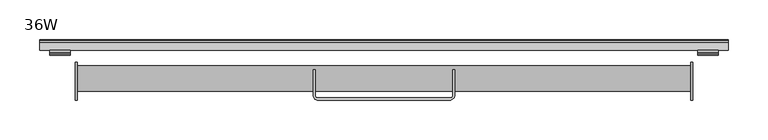
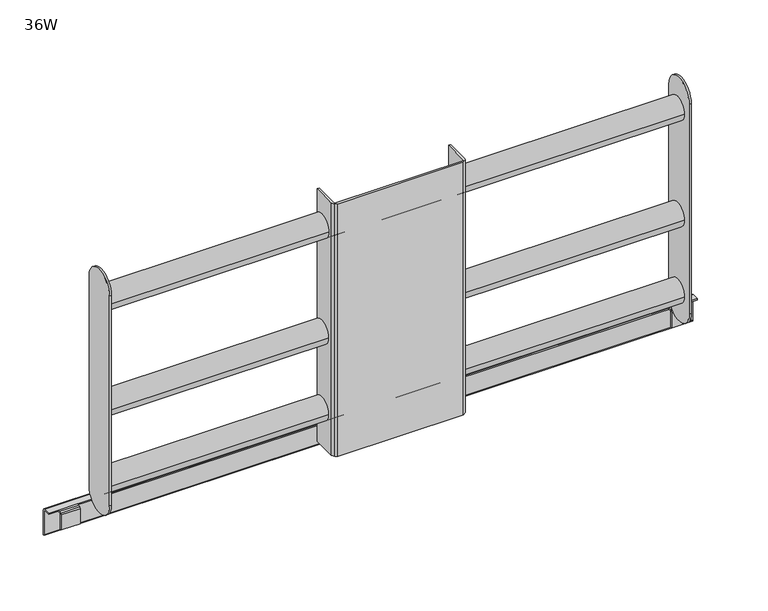
"""IFC4 building model written with IfcOpenShell, lengths in millimetres: furniture geometry, 36W."""

from ifc_helpers import new_model, si_unit, point, frame, frame_2d, origin, place, context, project, spatial, polyline, circle_curve, trimmed, segment, composite_curve, outline, extrude, source, transform, mapped, element, save


def furniture_36w_c7347b64(model_context):
    return source(origin(), model_context, "Body", "SweptSolid", [
        extrude(outline(composite_curve([segment(trimmed(circle_curve(frame_2d((26.8471934, 980.744067)), 15.9130142), [point((42.7602076, 980.744067))], [point((10.9341791, 980.744067))], False, "CARTESIAN"), True, "CONTINUOUS"), segment(trimmed(circle_curve(frame_2d((26.8471934, 980.744067)), 15.9130142), [point((10.9341791, 980.744067))], [point((42.7602076, 980.744067))], False, "CARTESIAN"), True, "CONTINUOUS")], self_intersect=False)), frame((21.7119196, 0.0, 0.0), z_axis=(1.0, 0.0, 0.0), x_axis=(0.0, 1.0, 0.0)), (0.0, 0.0, 1.0), 769.3660293),
        extrude(outline(polyline([(62.8242903, 673.0999637), (62.8242903, 671.581052), (59.5172111, 671.581052), (58.4395788, 671.134713), (57.9932125, 670.0570898), (57.9932125, 648.9699685), (56.4742918, 648.9699685), (56.4742918, 670.0570898), (57.3655437, 672.208739), (59.5172111, 673.0999637), (62.8242903, 673.0999637)])), frame((800.0936777, 0.0, 0.0), z_axis=(1.0, 0.0, 0.0), x_axis=(0.0, 1.0, 0.0)), (0.0, 0.0, 1.0), 25.3999758),
        extrude(outline(polyline([(62.8242903, 673.0999637), (62.8242903, 671.581052), (59.5172111, 671.581052), (58.4395788, 671.134713), (57.9932125, 670.0570898), (57.9932125, 648.9699685), (56.4742918, 648.9699685), (56.4742918, 670.0570898), (57.3655437, 672.208739), (59.5172111, 673.0999637), (62.8242903, 673.0999637)])), frame((-12.7062977, 0.0, 0.0), z_axis=(1.0, 0.0, 0.0), x_axis=(0.0, 1.0, 0.0)), (0.0, 0.0, 1.0), 25.3999633),
        extrude(outline(polyline([(62.8242903, 673.0999637), (72.1003729, 673.0999637), (74.521446, 672.0971906), (75.5242918, 669.6760811), (75.5242918, 636.2699806), (75.5242918, 635.0), (74.0053711, 635.0), (74.0053711, 636.2699806), (74.0053711, 669.6760811), (73.4474109, 671.0231282), (72.1003729, 671.581052), (62.8242903, 671.581052), (62.8242903, 673.0999637)])), frame((-25.4063412, 0.0, 0.0), z_axis=(1.0, 0.0, 0.0), x_axis=(0.0, 1.0, 0.0)), (0.0, 0.0, 1.0), 863.6000189),
        extrude(outline(polyline([(317.4936656, 38.0993937), (320.1606903, 38.0993937), (320.1606903, 5.2063932), (320.9046129, 3.4103427), (322.7006516, 2.6663934), (490.0866918, 2.6663934), (491.8827304, 3.4103427), (492.6266893, 5.2063932), (492.6266893, 38.0993937), (495.2936777, 38.0993937), (495.2936777, 5.2063932), (494.7768125, 2.9446794), (490.0866918, -0.0006064), (322.7006516, -0.0006064), (319.4563365, 1.1336636), (317.4936656, 5.2063932), (317.4936656, 38.0993937)])), frame((0.0, 0.0, 669.594073), z_axis=(0.0, 0.0, 1.0), x_axis=(1.0, 0.0, 0.0)), (0.0, 0.0, 1.0), 355.5999788),
        extrude(outline(composite_curve([segment(trimmed(circle_curve(frame_2d((26.8471934, 723.5690488)), 15.8750073), [point((42.7222007, 723.5690488))], [point((10.9721861, 723.5690488))], False, "CARTESIAN"), True, "CONTINUOUS"), segment(trimmed(circle_curve(frame_2d((26.8471934, 723.5690488)), 15.8750073), [point((10.9721861, 723.5690488))], [point((42.7222007, 723.5690488))], False, "CARTESIAN"), True, "CONTINUOUS")], self_intersect=False)), frame((21.7119196, 0.0, 0.0), z_axis=(1.0, 0.0, 0.0), x_axis=(0.0, 1.0, 0.0)), (0.0, 0.0, 1.0), 769.3660293),
        extrude(outline(composite_curve([segment(trimmed(circle_curve(frame_2d((26.8471934, 831.519073)), 15.8750019), [point((42.7221953, 831.519073))], [point((10.9721915, 831.519073))], False, "CARTESIAN"), True, "CONTINUOUS"), segment(trimmed(circle_curve(frame_2d((26.8471934, 831.519073)), 15.8750019), [point((10.9721915, 831.519073))], [point((42.7221953, 831.519073))], False, "CARTESIAN"), True, "CONTINUOUS")], self_intersect=False)), frame((21.7119196, 0.0, 0.0), z_axis=(1.0, 0.0, 0.0), x_axis=(0.0, 1.0, 0.0)), (0.0, 0.0, 1.0), 769.3660293),
        extrude(outline(composite_curve([segment(trimmed(circle_curve(frame_2d((23.5585002, 705.852543)), 23.5585002), [point((47.1170005, 705.852543))], [point((0.0, 705.852543))], False, "CARTESIAN"), True, "CONTINUOUS"), segment(polyline([(0.0, 705.852543), (0.0, 1001.6355425)]), True, "CONTINUOUS"), segment(trimmed(circle_curve(frame_2d((23.5585002, 1001.6355425)), 23.5585002), [point((0.0, 1001.6355425))], [point((47.1170005, 1001.6355425))], False, "CARTESIAN"), True, "CONTINUOUS"), segment(polyline([(47.1170005, 1001.6355425), (47.1170005, 705.852543)]), True, "CONTINUOUS")], self_intersect=False)), frame((791.077949, 0.0, 0.0), z_axis=(1.0, 0.0, 0.0), x_axis=(0.0, 1.0, 0.0)), (0.0, 0.0, 1.0), 2.6669884),
        extrude(outline(composite_curve([segment(trimmed(circle_curve(frame_2d((23.5585002, 705.852543)), 23.5585002), [point((47.1170005, 705.852543))], [point((0.0, 705.852543))], False, "CARTESIAN"), True, "CONTINUOUS"), segment(polyline([(0.0, 705.852543), (0.0, 1001.6355425)]), True, "CONTINUOUS"), segment(trimmed(circle_curve(frame_2d((23.5585002, 1001.6355425)), 23.5585002), [point((0.0, 1001.6355425))], [point((47.1170005, 1001.6355425))], False, "CARTESIAN"), True, "CONTINUOUS"), segment(polyline([(47.1170005, 1001.6355425), (47.1170005, 705.852543)]), True, "CONTINUOUS")], self_intersect=False)), frame((19.0449199, 0.0, 0.0), z_axis=(1.0, 0.0, 0.0), x_axis=(0.0, 1.0, 0.0)), (0.0, 0.0, 1.0), 2.6669997),
    ])


if __name__ == "__main__":
    model = new_model("IFC4")
    model_context = context("Model", 3, world=origin())
    ifc_project = project(units=[si_unit("LENGTHUNIT", "METRE", prefix="MILLI")], contexts=[model_context])
    site = spatial("IfcSite", under=ifc_project)
    building = spatial("IfcBuilding", under=site)
    placement = place(None, origin())
    furniture_36w_shape = furniture_36w_c7347b64(model_context)
    element("IfcFurniture", 1, ObjectType="36W", at=placement, inside=building, context=model_context, shape_type="MappedRepresentation", body=[
        mapped(furniture_36w_shape, transform((0.0, 0.0, 0.0), x_axis=(1.0, 0.0, 0.0), y_axis=(0.0, 1.0, 0.0), z_axis=(0.0, 0.0, 1.0))),
    ])
    save(model, "model.ifc")
